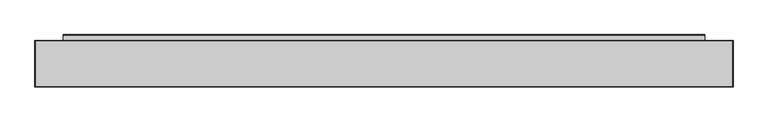
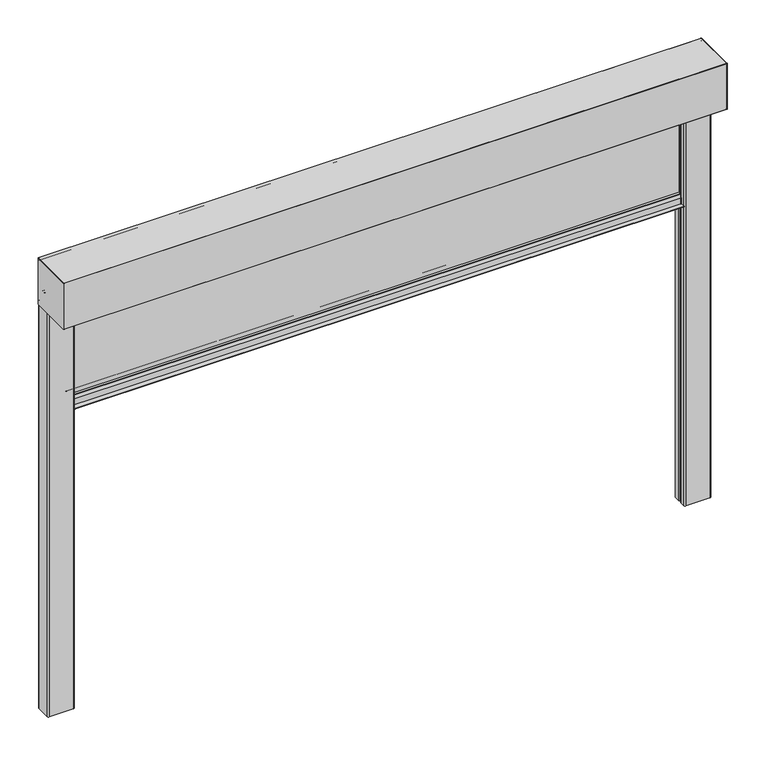
"""IFC4 building model written with IfcOpenShell, lengths in millimetres: alarm geometry."""

from ifc_helpers import new_model, si_unit, point, frame, frame_2d, origin, place, context, project, spatial, polyline, circle_curve, trimmed, segment, composite_curve, outline, extrude, source, transform, mapped, element, save
from ifc_brep_helpers import plane_surface, cylinder_surface, revolved_surface, advanced_brep


def alarm_9940906b(model_context):
    return source(origin(), model_context, "Body", "SolidModel", [
        extrude(outline(composite_curve([segment(polyline([(32.3130377, -455.0), (67.6869623, -455.0)]), True, "CONTINUOUS"), segment(trimmed(circle_curve(frame_2d((67.6869623, -457.0)), 2.0), [point((67.6869623, -455.0))], [point((69.5220736, -456.2047851))], False, "CARTESIAN"), True, "CONTINUOUS"), segment(polyline([(69.5220736, -456.2047851), (75.5, -470.0), (75.5, -498.0), (98.5, -498.0)]), True, "CONTINUOUS"), segment(trimmed(circle_curve(frame_2d((98.5, -499.0)), 1.0), [point((98.5, -498.0))], [point((98.5, -500.0))], False, "CARTESIAN"), True, "CONTINUOUS"), segment(polyline([(98.5, -500.0), (1.5, -500.0)]), True, "CONTINUOUS"), segment(trimmed(circle_curve(frame_2d((1.5, -499.0)), 1.0), [point((1.5, -500.0))], [point((1.5, -498.0))], False, "CARTESIAN"), True, "CONTINUOUS"), segment(polyline([(1.5, -498.0), (24.5, -498.0), (24.5, -470.0), (30.4779264, -456.2047851)]), True, "CONTINUOUS"), segment(trimmed(circle_curve(frame_2d((32.3130377, -457.0)), 2.0), [point((30.4779264, -456.2047851))], [point((32.3130377, -455.0))], False, "CARTESIAN"), True, "CONTINUOUS")], self_intersect=False)), frame((-1380.0, 0.0, 0.0), z_axis=(1.0, 0.0, 0.0), x_axis=(0.0, 1.0, 0.0)), (0.0, 0.0, 1.0), 2760.0),
        extrude(outline(polyline([(1380.0, 42.5), (-1380.0, 42.5), (-1380.0, 57.5), (1380.0, 57.5), (1380.0, 42.5)])), frame((0.0, 0.0, -455.0), z_axis=(0.0, 0.0, 1.0), x_axis=(1.0, 0.0, 0.0)), (0.0, 0.0, 1.0), 465.0),
        extrude(outline(composite_curve([segment(polyline([(-125.0, 1.0), (-125.0, 219.0)]), True, "CONTINUOUS"), segment(trimmed(circle_curve(frame_2d((-124.0, 219.0)), 1.0), [point((-125.0, 219.0))], [point((-124.0, 220.0))], False, "CARTESIAN"), True, "CONTINUOUS"), segment(polyline([(-124.0, 220.0), (74.0, 220.0)]), True, "CONTINUOUS"), segment(trimmed(circle_curve(frame_2d((74.0, 219.0)), 1.0), [point((74.0, 220.0))], [point((75.0, 219.0))], False, "CARTESIAN"), True, "CONTINUOUS"), segment(polyline([(75.0, 219.0), (75.0, 1.5)]), True, "CONTINUOUS"), segment(trimmed(circle_curve(frame_2d((73.5, 1.5)), 1.5), [point((75.0, 1.5))], [point((73.5, 0.0))], False, "CARTESIAN"), True, "CONTINUOUS"), segment(polyline([(73.5, 0.0), (-124.0, 0.0)]), True, "CONTINUOUS"), segment(trimmed(circle_curve(frame_2d((-124.0, 1.0)), 1.0), [point((-124.0, 0.0))], [point((-125.0, 1.0))], False, "CARTESIAN"), True, "CONTINUOUS")], self_intersect=False)), frame((1500.0, 0.0, 0.0), z_axis=(1.0, 0.0, 0.0), x_axis=(0.0, 1.0, 0.0)), (0.0, 0.0, 1.0), 1.0),
        extrude(outline(composite_curve([segment(polyline([(-125.0, 1.0), (-125.0, 219.0)]), True, "CONTINUOUS"), segment(trimmed(circle_curve(frame_2d((-124.0, 219.0)), 1.0), [point((-125.0, 219.0))], [point((-124.0, 220.0))], False, "CARTESIAN"), True, "CONTINUOUS"), segment(polyline([(-124.0, 220.0), (74.0, 220.0)]), True, "CONTINUOUS"), segment(trimmed(circle_curve(frame_2d((74.0, 219.0)), 1.0), [point((74.0, 220.0))], [point((75.0, 219.0))], False, "CARTESIAN"), True, "CONTINUOUS"), segment(polyline([(75.0, 219.0), (75.0, 1.5)]), True, "CONTINUOUS"), segment(trimmed(circle_curve(frame_2d((73.5, 1.5)), 1.5), [point((75.0, 1.5))], [point((73.5, 0.0))], False, "CARTESIAN"), True, "CONTINUOUS"), segment(polyline([(73.5, 0.0), (-124.0, 0.0)]), True, "CONTINUOUS"), segment(trimmed(circle_curve(frame_2d((-124.0, 1.0)), 1.0), [point((-124.0, 0.0))], [point((-125.0, 1.0))], False, "CARTESIAN"), True, "CONTINUOUS")], self_intersect=False)), frame((-1501.0, 0.0, 0.0), z_axis=(1.0, 0.0, 0.0), x_axis=(0.0, 1.0, 0.0)), (0.0, 0.0, 1.0), 1.0),
        extrude(outline(composite_curve([segment(trimmed(circle_curve(frame_2d((1385.0, 70.0)), 5.0), [point((1380.0, 70.0))], [point((1385.0, 75.0))], False, "CARTESIAN"), True, "CONTINUOUS"), segment(polyline([(1385.0, 75.0), (1495.0, 75.0)]), True, "CONTINUOUS"), segment(trimmed(circle_curve(frame_2d((1495.0, 70.0)), 5.0), [point((1495.0, 75.0))], [point((1500.0, 70.0))], False, "CARTESIAN"), True, "CONTINUOUS"), segment(polyline([(1500.0, 70.0), (1500.0, 4.0)]), True, "CONTINUOUS"), segment(trimmed(circle_curve(frame_2d((1495.0, 4.0)), 5.0), [point((1500.0, 4.0))], [point((1495.0, -1.0))], False, "CARTESIAN"), True, "CONTINUOUS"), segment(polyline([(1495.0, -1.0), (1385.0, -1.0)]), True, "CONTINUOUS"), segment(trimmed(circle_curve(frame_2d((1385.0, 4.0)), 5.0), [point((1385.0, -1.0))], [point((1380.0, 4.0))], False, "CARTESIAN"), True, "CONTINUOUS"), segment(polyline([(1380.0, 4.0), (1380.0, 28.0)]), True, "CONTINUOUS"), segment(trimmed(circle_curve(frame_2d((1384.0, 28.0)), 4.0), [point((1380.0, 28.0))], [point((1384.0, 32.0))], False, "CARTESIAN"), True, "CONTINUOUS"), segment(polyline([(1384.0, 32.0), (1419.0, 32.0)]), True, "CONTINUOUS"), segment(trimmed(circle_curve(frame_2d((1419.0, 28.0)), 4.0), [point((1419.0, 32.0))], [point((1423.0, 28.0))], False, "CARTESIAN"), True, "CONTINUOUS"), segment(polyline([(1423.0, 28.0), (1423.0, 14.0)]), True, "CONTINUOUS"), segment(trimmed(circle_curve(frame_2d((1425.0, 14.0)), 2.0), [point((1423.0, 14.0))], [point((1425.0, 12.0))], True, "CARTESIAN"), True, "CONTINUOUS"), segment(polyline([(1425.0, 12.0), (1476.0, 12.0)]), True, "CONTINUOUS"), segment(trimmed(circle_curve(frame_2d((1476.0, 14.0)), 2.0), [point((1476.0, 12.0))], [point((1478.0, 14.0))], True, "CARTESIAN"), True, "CONTINUOUS"), segment(polyline([(1478.0, 14.0), (1478.0, 40.0)]), True, "CONTINUOUS"), segment(trimmed(circle_curve(frame_2d((1476.0, 40.0)), 2.0), [point((1478.0, 40.0))], [point((1476.0, 42.0))], True, "CARTESIAN"), True, "CONTINUOUS"), segment(polyline([(1476.0, 42.0), (1384.0, 42.0)]), True, "CONTINUOUS"), segment(trimmed(circle_curve(frame_2d((1384.0, 46.0)), 4.0), [point((1384.0, 42.0))], [point((1380.0, 46.0))], False, "CARTESIAN"), True, "CONTINUOUS"), segment(polyline([(1380.0, 46.0), (1380.0, 70.0)]), True, "CONTINUOUS")], self_intersect=False), holes=[composite_curve([segment(polyline([(1419.0, 30.0), (1384.0, 30.0)]), True, "CONTINUOUS"), segment(trimmed(circle_curve(frame_2d((1384.0, 28.0)), 2.0), [point((1384.0, 30.0))], [point((1382.0, 28.0))], True, "CARTESIAN"), True, "CONTINUOUS"), segment(polyline([(1382.0, 28.0), (1382.0, 4.0)]), True, "CONTINUOUS"), segment(trimmed(circle_curve(frame_2d((1385.0, 4.0)), 3.0), [point((1382.0, 4.0))], [point((1385.0, 1.0))], True, "CARTESIAN"), True, "CONTINUOUS"), segment(polyline([(1385.0, 1.0), (1495.0, 1.0)]), True, "CONTINUOUS"), segment(trimmed(circle_curve(frame_2d((1495.0, 4.0)), 3.0), [point((1495.0, 1.0))], [point((1498.0, 4.0))], True, "CARTESIAN"), True, "CONTINUOUS"), segment(polyline([(1498.0, 4.0), (1498.0, 70.0)]), True, "CONTINUOUS"), segment(trimmed(circle_curve(frame_2d((1495.0, 70.0)), 3.0), [point((1498.0, 70.0))], [point((1495.0, 73.0))], True, "CARTESIAN"), True, "CONTINUOUS"), segment(polyline([(1495.0, 73.0), (1385.0, 73.0)]), True, "CONTINUOUS"), segment(trimmed(circle_curve(frame_2d((1385.0, 70.0)), 3.0), [point((1385.0, 73.0))], [point((1382.0, 70.0))], True, "CARTESIAN"), True, "CONTINUOUS"), segment(polyline([(1382.0, 70.0), (1382.0, 46.0)]), True, "CONTINUOUS"), segment(trimmed(circle_curve(frame_2d((1384.0, 46.0)), 2.0), [point((1382.0, 46.0))], [point((1384.0, 44.0))], True, "CARTESIAN"), True, "CONTINUOUS"), segment(polyline([(1384.0, 44.0), (1476.0, 44.0)]), True, "CONTINUOUS"), segment(trimmed(circle_curve(frame_2d((1476.0, 40.0)), 4.0), [point((1476.0, 44.0))], [point((1480.0, 40.0))], False, "CARTESIAN"), True, "CONTINUOUS"), segment(polyline([(1480.0, 40.0), (1480.0, 14.0)]), True, "CONTINUOUS"), segment(trimmed(circle_curve(frame_2d((1476.0, 14.0)), 4.0), [point((1480.0, 14.0))], [point((1476.0, 10.0))], False, "CARTESIAN"), True, "CONTINUOUS"), segment(polyline([(1476.0, 10.0), (1425.0, 10.0)]), True, "CONTINUOUS"), segment(trimmed(circle_curve(frame_2d((1425.0, 14.0)), 4.0), [point((1425.0, 10.0))], [point((1421.0, 14.0))], False, "CARTESIAN"), True, "CONTINUOUS"), segment(polyline([(1421.0, 14.0), (1421.0, 28.0)]), True, "CONTINUOUS"), segment(trimmed(circle_curve(frame_2d((1419.0, 28.0)), 2.0), [point((1421.0, 28.0))], [point((1419.0, 30.0))], True, "CARTESIAN"), True, "CONTINUOUS")], self_intersect=False)]), frame((0.0, 0.0, -1930.0), z_axis=(0.0, 0.0, 1.0), x_axis=(1.0, 0.0, 0.0)), (0.0, 0.0, 1.0), 1930.0),
        extrude(outline(composite_curve([segment(trimmed(circle_curve(frame_2d((-1385.0, 4.0)), 5.0), [point((-1380.0, 4.0))], [point((-1385.0, -1.0))], False, "CARTESIAN"), True, "CONTINUOUS"), segment(polyline([(-1385.0, -1.0), (-1495.0, -1.0)]), True, "CONTINUOUS"), segment(trimmed(circle_curve(frame_2d((-1495.0, 4.0)), 5.0), [point((-1495.0, -1.0))], [point((-1500.0, 4.0))], False, "CARTESIAN"), True, "CONTINUOUS"), segment(polyline([(-1500.0, 4.0), (-1500.0, 70.0)]), True, "CONTINUOUS"), segment(trimmed(circle_curve(frame_2d((-1495.0, 70.0)), 5.0), [point((-1500.0, 70.0))], [point((-1495.0, 75.0))], False, "CARTESIAN"), True, "CONTINUOUS"), segment(polyline([(-1495.0, 75.0), (-1385.0, 75.0)]), True, "CONTINUOUS"), segment(trimmed(circle_curve(frame_2d((-1385.0, 70.0)), 5.0), [point((-1385.0, 75.0))], [point((-1380.0, 70.0))], False, "CARTESIAN"), True, "CONTINUOUS"), segment(polyline([(-1380.0, 70.0), (-1380.0, 46.0)]), True, "CONTINUOUS"), segment(trimmed(circle_curve(frame_2d((-1384.0, 46.0)), 4.0), [point((-1380.0, 46.0))], [point((-1384.0, 42.0))], False, "CARTESIAN"), True, "CONTINUOUS"), segment(polyline([(-1384.0, 42.0), (-1476.0, 42.0)]), True, "CONTINUOUS"), segment(trimmed(circle_curve(frame_2d((-1476.0, 40.0)), 2.0), [point((-1476.0, 42.0))], [point((-1478.0, 40.0))], True, "CARTESIAN"), True, "CONTINUOUS"), segment(polyline([(-1478.0, 40.0), (-1478.0, 14.0)]), True, "CONTINUOUS"), segment(trimmed(circle_curve(frame_2d((-1476.0, 14.0)), 2.0), [point((-1478.0, 14.0))], [point((-1476.0, 12.0))], True, "CARTESIAN"), True, "CONTINUOUS"), segment(polyline([(-1476.0, 12.0), (-1425.0, 12.0)]), True, "CONTINUOUS"), segment(trimmed(circle_curve(frame_2d((-1425.0, 14.0)), 2.0), [point((-1425.0, 12.0))], [point((-1423.0, 14.0))], True, "CARTESIAN"), True, "CONTINUOUS"), segment(polyline([(-1423.0, 14.0), (-1423.0, 28.0)]), True, "CONTINUOUS"), segment(trimmed(circle_curve(frame_2d((-1419.0, 28.0)), 4.0), [point((-1423.0, 28.0))], [point((-1419.0, 32.0))], False, "CARTESIAN"), True, "CONTINUOUS"), segment(polyline([(-1419.0, 32.0), (-1384.0, 32.0)]), True, "CONTINUOUS"), segment(trimmed(circle_curve(frame_2d((-1384.0, 28.0)), 4.0), [point((-1384.0, 32.0))], [point((-1380.0, 28.0))], False, "CARTESIAN"), True, "CONTINUOUS"), segment(polyline([(-1380.0, 28.0), (-1380.0, 4.0)]), True, "CONTINUOUS")], self_intersect=False), holes=[composite_curve([segment(trimmed(circle_curve(frame_2d((-1384.0, 28.0)), 2.0), [point((-1382.0, 28.0))], [point((-1384.0, 30.0))], True, "CARTESIAN"), True, "CONTINUOUS"), segment(polyline([(-1384.0, 30.0), (-1419.0, 30.0)]), True, "CONTINUOUS"), segment(trimmed(circle_curve(frame_2d((-1419.0, 28.0)), 2.0), [point((-1419.0, 30.0))], [point((-1421.0, 28.0))], True, "CARTESIAN"), True, "CONTINUOUS"), segment(polyline([(-1421.0, 28.0), (-1421.0, 14.0)]), True, "CONTINUOUS"), segment(trimmed(circle_curve(frame_2d((-1425.0, 14.0)), 4.0), [point((-1421.0, 14.0))], [point((-1425.0, 10.0))], False, "CARTESIAN"), True, "CONTINUOUS"), segment(polyline([(-1425.0, 10.0), (-1476.0, 10.0)]), True, "CONTINUOUS"), segment(trimmed(circle_curve(frame_2d((-1476.0, 14.0)), 4.0), [point((-1476.0, 10.0))], [point((-1480.0, 14.0))], False, "CARTESIAN"), True, "CONTINUOUS"), segment(polyline([(-1480.0, 14.0), (-1480.0, 40.0)]), True, "CONTINUOUS"), segment(trimmed(circle_curve(frame_2d((-1476.0, 40.0)), 4.0), [point((-1480.0, 40.0))], [point((-1476.0, 44.0))], False, "CARTESIAN"), True, "CONTINUOUS"), segment(polyline([(-1476.0, 44.0), (-1384.0, 44.0)]), True, "CONTINUOUS"), segment(trimmed(circle_curve(frame_2d((-1384.0, 46.0)), 2.0), [point((-1384.0, 44.0))], [point((-1382.0, 46.0))], True, "CARTESIAN"), True, "CONTINUOUS"), segment(polyline([(-1382.0, 46.0), (-1382.0, 70.0)]), True, "CONTINUOUS"), segment(trimmed(circle_curve(frame_2d((-1385.0, 70.0)), 3.0), [point((-1382.0, 70.0))], [point((-1385.0, 73.0))], True, "CARTESIAN"), True, "CONTINUOUS"), segment(polyline([(-1385.0, 73.0), (-1495.0, 73.0)]), True, "CONTINUOUS"), segment(trimmed(circle_curve(frame_2d((-1495.0, 70.0)), 3.0), [point((-1495.0, 73.0))], [point((-1498.0, 70.0))], True, "CARTESIAN"), True, "CONTINUOUS"), segment(polyline([(-1498.0, 70.0), (-1498.0, 4.0)]), True, "CONTINUOUS"), segment(trimmed(circle_curve(frame_2d((-1495.0, 4.0)), 3.0), [point((-1498.0, 4.0))], [point((-1495.0, 1.0))], True, "CARTESIAN"), True, "CONTINUOUS"), segment(polyline([(-1495.0, 1.0), (-1385.0, 1.0)]), True, "CONTINUOUS"), segment(trimmed(circle_curve(frame_2d((-1385.0, 4.0)), 3.0), [point((-1385.0, 1.0))], [point((-1382.0, 4.0))], True, "CARTESIAN"), True, "CONTINUOUS"), segment(polyline([(-1382.0, 4.0), (-1382.0, 28.0)]), True, "CONTINUOUS")], self_intersect=False)]), frame((0.0, 0.0, -1930.0), z_axis=(0.0, 0.0, 1.0), x_axis=(1.0, 0.0, 0.0)), (0.0, 0.0, 1.0), 1930.0),
        advanced_brep(
        [(1500.0, 74.0, 220.0), (1500.0, -124.0, 220.0), (1500.0, -125.0, 219.0), (1500.0, -125.0, 1.0), (1500.0, -124.0, 0.0), (1500.0, 0.6706552, 0.0), (1500.0, 3.5525627, 2.8819075), (1500.0, 3.5525627, 25.0), (1500.0, 40.2346421, 81.9173889), (1500.0, 38.5535205, 85.0008329), (1500.0, 27.0535205, 85.0007974), (1500.0, 27.1842634, 82.0065058), (1500.0, 33.6652134, 82.5735356), (1500.0, 33.5780546, 83.56973), (1500.0, 27.0971045, 83.0027002), (1500.0, 27.0535236, 84.0007974), (1500.0, 38.5575262, 84.0008329), (1500.0, 39.6503781, 82.8567866), (1500.0, 2.5525627, 25.2943249), (1500.0, 2.5525627, 2.9031761), (1500.0, 0.6493867, 1.0), (1500.0, -118.4990953, 1.0), (1500.0, -118.4990953, 210.0001942), (1500.0, -114.4991113, 214.0001783), (1500.0, 64.4999422, 214.0001783), (1500.0, 68.5003406, 209.9997799), (1500.0, 68.5003406, 32.9978598), (1500.0, 71.0003714, 32.9978598), (1500.0, 71.0003714, 19.9978095), (1500.0, 74.0003573, 19.9978095), (1500.0, 74.0003573, 1.3255837), (1500.0, 73.0249422, 1.1710911), (1500.0, 63.1362847, 31.6048165), (1500.0, 62.1852498, 31.2958032), (1500.0, 72.0225757, 1.0199506), (1500.0, 75.0, 1.5), (1500.0, 75.0, 219.0), (-1500.0, 74.0, 220.0), (-1500.0, 75.0, 219.0), (-1500.0, 75.0, 1.5), (-1500.0, 72.0734167, 1.03647), (-1500.0, 62.1852498, 31.2958032), (-1500.0, 63.1362847, 31.6048165), (-1500.0, 73.0249422, 1.1710911), (-1500.0, 74.0003573, 1.3255837), (-1500.0, 74.0003573, 19.9978095), (-1500.0, 71.0003714, 19.9978095), (-1500.0, 71.0003714, 32.9978598), (-1500.0, 68.5003406, 32.9978598), (-1500.0, 68.5003406, 209.9997799), (-1500.0, 64.4999422, 214.0001783), (-1500.0, -114.4991113, 214.0001783), (-1500.0, -118.4990953, 210.0001942), (-1500.0, -118.4990953, 1.0), (-1500.0, 0.6493867, 1.0), (-1500.0, 2.5525627, 2.9031761), (-1500.0, 2.5525627, 25.2943249), (-1500.0, 39.6503781, 82.8567866), (-1500.0, 38.5575262, 84.0008329), (-1500.0, 27.0535236, 84.0007974), (-1500.0, 27.0971045, 83.0027002), (-1500.0, 33.5780546, 83.56973), (-1500.0, 33.6652134, 82.5735356), (-1500.0, 27.1842634, 82.0065058), (-1500.0, 27.0535205, 85.0007974), (-1500.0, 38.5535205, 85.0008329), (-1500.0, 40.2346421, 81.9173889), (-1500.0, 3.5525627, 25.0), (-1500.0, 3.5525627, 2.8819075), (-1500.0, 0.6706552, 0.0), (-1500.0, -124.0, 0.0), (-1500.0, -125.0, 1.0), (-1500.0, -125.0, 219.0), (-1500.0, -124.0, 220.0)],
        [
            (0, 1),
            (1, 2, circle_curve(frame((1500.0, -124.0, 219.0), z_axis=(1.0, 0.0, 0.0), x_axis=(0.0, 1.0, 0.0)), 1.0)),
            (2, 3),
            (3, 4, circle_curve(frame((1500.0, -124.0, 1.0), z_axis=(1.0, 0.0, 0.0), x_axis=(0.0, 1.0, 0.0)), 1.0)),
            (4, 5),
            (5, 6, circle_curve(frame((1500.0, 0.5548006, 2.9977621), z_axis=(1.0, 0.0, 0.0), x_axis=(0.0, 1.0, 0.0)), 3.0)),
            (6, 7),
            (7, 8),
            (8, 9, circle_curve(frame((1500.0, 38.5535267, 83.0008329), z_axis=(1.0, 0.0, 0.0), x_axis=(0.0, 1.0, 0.0)), 2.0)),
            (9, 10),
            (10, 11, circle_curve(frame((1500.0, 27.0535251, 83.5007974), z_axis=(1.0, 0.0, 0.0), x_axis=(0.0, 1.0, 0.0)), 1.5)),
            (11, 12),
            (12, 13),
            (13, 14),
            (14, 15, circle_curve(frame((1500.0, 27.0535251, 83.5007974), z_axis=(-1.0, 0.0, 0.0), x_axis=(0.0, 1.0, 0.0)), 0.5)),
            (15, 16),
            (16, 17, circle_curve(frame((1500.0, 38.5575296, 82.9068388), z_axis=(-1.0, 0.0, 0.0), x_axis=(0.0, 1.0, 0.0)), 1.0939941)),
            (17, 18),
            (18, 19),
            (19, 20, circle_curve(frame((1500.0, 0.5548006, 2.9977621), z_axis=(-1.0, 0.0, 0.0), x_axis=(0.0, 1.0, 0.0)), 2.0)),
            (20, 21),
            (21, 22),
            (22, 23, circle_curve(frame((1500.0, -114.4991113, 210.0001942), z_axis=(-1.0, 0.0, 0.0), x_axis=(0.0, 1.0, 0.0)), 3.9999841)),
            (23, 24),
            (24, 25, circle_curve(frame((1500.0, 64.4999422, 209.9997799), z_axis=(-1.0, 0.0, 0.0), x_axis=(0.0, 1.0, 0.0)), 4.0003984)),
            (25, 26),
            (26, 27),
            (27, 28),
            (28, 29),
            (29, 30),
            (30, 31, circle_curve(frame((1500.0, 73.500415, 1.3255837), z_axis=(-1.0, 0.0, 0.0), x_axis=(0.0, 1.0, 0.0)), 0.4999423)),
            (31, 32),
            (32, 33),
            (33, 34),
            (34, 35, circle_curve(frame((1500.0, 73.5, 1.5), z_axis=(1.0, 0.0, 0.0), x_axis=(0.0, 1.0, 0.0)), 1.5)),
            (35, 36),
            (36, 0, circle_curve(frame((1500.0, 74.0, 219.0), z_axis=(1.0, 0.0, 0.0), x_axis=(0.0, 1.0, 0.0)), 1.0)),
            (37, 38, circle_curve(frame((-1500.0, 74.0, 219.0), z_axis=(-1.0, 0.0, 0.0), x_axis=(0.0, 1.0, 0.0)), 1.0)),
            (38, 39),
            (39, 40, circle_curve(frame((-1500.0, 73.5, 1.5), z_axis=(-1.0, 0.0, 0.0), x_axis=(0.0, 1.0, 0.0)), 1.5)),
            (40, 41),
            (41, 42),
            (42, 43),
            (43, 44, circle_curve(frame((-1500.0, 73.500415, 1.3255837), z_axis=(1.0, 0.0, 0.0), x_axis=(0.0, 1.0, 0.0)), 0.4999423)),
            (44, 45),
            (45, 46),
            (46, 47),
            (47, 48),
            (48, 49),
            (49, 50, circle_curve(frame((-1500.0, 64.4999422, 209.9997799), z_axis=(1.0, 0.0, 0.0), x_axis=(0.0, 1.0, 0.0)), 4.0003984)),
            (50, 51),
            (51, 52, circle_curve(frame((-1500.0, -114.4991113, 210.0001942), z_axis=(1.0, 0.0, 0.0), x_axis=(0.0, 1.0, 0.0)), 3.9999841)),
            (52, 53),
            (53, 54),
            (54, 55, circle_curve(frame((-1500.0, 0.5548006, 2.9977621), z_axis=(1.0, 0.0, 0.0), x_axis=(0.0, 1.0, 0.0)), 2.0)),
            (55, 56),
            (56, 57),
            (57, 58, circle_curve(frame((-1500.0, 38.5575296, 82.9068388), z_axis=(1.0, 0.0, 0.0), x_axis=(0.0, 1.0, 0.0)), 1.0939941)),
            (58, 59),
            (59, 60, circle_curve(frame((-1500.0, 27.0535251, 83.5007974), z_axis=(1.0, 0.0, 0.0), x_axis=(0.0, 1.0, 0.0)), 0.5)),
            (60, 61),
            (61, 62),
            (62, 63),
            (63, 64, circle_curve(frame((-1500.0, 27.0535251, 83.5007974), z_axis=(-1.0, 0.0, 0.0), x_axis=(0.0, 1.0, 0.0)), 1.5)),
            (64, 65),
            (65, 66, circle_curve(frame((-1500.0, 38.5535267, 83.0008329), z_axis=(-1.0, 0.0, 0.0), x_axis=(0.0, 1.0, 0.0)), 2.0)),
            (66, 67),
            (67, 68),
            (68, 69, circle_curve(frame((-1500.0, 0.5548006, 2.9977621), z_axis=(-1.0, 0.0, 0.0), x_axis=(0.0, 1.0, 0.0)), 3.0)),
            (69, 70),
            (70, 71, circle_curve(frame((-1500.0, -124.0, 1.0), z_axis=(-1.0, 0.0, 0.0), x_axis=(0.0, 1.0, 0.0)), 1.0)),
            (71, 72),
            (72, 73, circle_curve(frame((-1500.0, -124.0, 219.0), z_axis=(-1.0, 0.0, 0.0), x_axis=(0.0, 1.0, 0.0)), 1.0)),
            (73, 37),
            (0, 37),
            (73, 1),
            (72, 2),
            (71, 3),
            (70, 4),
            (69, 5),
            (21, 53),
            (52, 22),
            (51, 23),
            (50, 24),
            (49, 25),
            (48, 26),
            (47, 27),
            (46, 28),
            (45, 29),
            (44, 30),
            (43, 31),
            (42, 32),
            (41, 33),
            (40, 34),
            (39, 35),
            (38, 36),
            (68, 6),
            (67, 7),
            (66, 8),
            (65, 9),
            (64, 10),
            (63, 11),
            (62, 12),
            (61, 13),
            (60, 14),
            (59, 15),
            (58, 16),
            (57, 17),
            (56, 18),
            (55, 19),
            (54, 20),
        ],
        [
            plane_surface(frame((1500.0, -124.0, 220.0), z_axis=(1.0, 0.0, 0.0), x_axis=(0.0, -1.0, 0.0))),
            plane_surface(frame((-1500.0, -124.0, 220.0), z_axis=(-1.0, 0.0, 0.0), x_axis=(0.0, 1.0, 0.0))),
            plane_surface(frame((1500.0, 74.0, 220.0), z_axis=(0.0, 0.0, 1.0), x_axis=(-1.0, 0.0, 0.0))),
            cylinder_surface(frame((-1500.0, -124.0, 219.0), z_axis=(1.0, 0.0, 0.0), x_axis=(0.0, 1.0, 0.0)), 1.0),
            plane_surface(frame((1500.0, -125.0, 219.0), z_axis=(0.0, -1.0, 0.0), x_axis=(-1.0, 0.0, 0.0))),
            cylinder_surface(frame((-1500.0, -124.0, 1.0), z_axis=(1.0, 0.0, 0.0), x_axis=(0.0, 1.0, 0.0)), 1.0),
            plane_surface(frame((1500.0, -124.0, 0.0), z_axis=(0.0, 0.0, -1.0), x_axis=(-1.0, 0.0, 0.0))),
            plane_surface(frame((1500.0, -118.4990953, 1.0), z_axis=(0.0, 1.0, 0.0), x_axis=(-1.0, 0.0, 0.0))),
            revolved_surface(polyline([(-1500.0, -110.49912719999999, 210.0001942), (1500.0, -110.49912719999999, 210.0001942)]), (-1500.0, -114.4991113, 210.0001942), (-1.0, 0.0, 0.0)),
            plane_surface(frame((1500.0, -114.4991113, 214.0001783), z_axis=(0.0, 0.0, -1.0), x_axis=(-1.0, 0.0, 0.0))),
            revolved_surface(polyline([(-1500.0, 68.5003406, 209.9997799), (1500.0, 68.5003406, 209.9997799)]), (-1500.0, 64.4999422, 209.9997799), (-1.0, 0.0, 0.0)),
            plane_surface(frame((1500.0, 68.5003406, 209.9997799), z_axis=(0.0, -1.0, 0.0), x_axis=(-1.0, 0.0, 0.0))),
            plane_surface(frame((1500.0, 68.5003406, 32.9978598), z_axis=(0.0, 0.0, -1.0), x_axis=(-1.0, 0.0, 0.0))),
            plane_surface(frame((1500.0, 71.0003714, 32.9978598), z_axis=(0.0, -1.0, 0.0), x_axis=(-1.0, 0.0, 0.0))),
            plane_surface(frame((1500.0, 71.0003714, 19.9978095), z_axis=(0.0, 0.0, -1.0), x_axis=(-1.0, 0.0, 0.0))),
            plane_surface(frame((1500.0, 74.0003573, 19.9978095), z_axis=(0.0, -1.0, -1.2844647031399892e-12), x_axis=(-1.0, 0.0, 0.0))),
            revolved_surface(polyline([(-1500.0, 74.0003573, 1.3255837), (1500.0, 74.0003573, 1.3255837)]), (-1500.0, 73.500415, 1.3255837), (-1.0, 0.0, 0.0)),
            plane_surface(frame((1500.0, 73.0249422, 1.1710911), z_axis=(0.0, 0.9510552244543146, 0.3090209702239532), x_axis=(-1.0, 0.0, 0.0))),
            plane_surface(frame((1500.0, 63.1362847, 31.6048165), z_axis=(0.0, -0.3090199811024944, 0.9510555458433614), x_axis=(-1.0, 0.0, 0.0))),
            plane_surface(frame((1500.0, 62.1852498, 31.2958032), z_axis=(0.0, -0.9510555458434065, -0.3090199811023557), x_axis=(-1.0, 0.0, 0.0))),
            cylinder_surface(frame((-1500.0, 73.5, 1.5), z_axis=(1.0, 0.0, 0.0), x_axis=(0.0, 1.0, 0.0)), 1.5),
            plane_surface(frame((1500.0, 75.0, 1.5), z_axis=(0.0, 1.0, 0.0), x_axis=(-1.0, 0.0, 0.0))),
            cylinder_surface(frame((-1500.0, 74.0, 219.0), z_axis=(1.0, 0.0, 0.0), x_axis=(0.0, 1.0, 0.0)), 1.0),
            cylinder_surface(frame((-1500.0, 0.5548006, 2.9977621), z_axis=(1.0, 0.0, 0.0), x_axis=(0.0, 1.0, 0.0)), 3.0),
            plane_surface(frame((1500.0, 3.5525627, 2.8819075), z_axis=(0.0, 1.0, 0.0), x_axis=(-1.0, 0.0, 0.0))),
            plane_surface(frame((1500.0, 3.5525627, 25.0), z_axis=(0.0, 0.8405576917101402, -0.541722038417232), x_axis=(-1.0, 0.0, 0.0))),
            cylinder_surface(frame((-1500.0, 38.5535267, 83.0008329), z_axis=(1.0, 0.0, 0.0), x_axis=(0.0, 1.0, 0.0)), 2.0),
            plane_surface(frame((1500.0, 38.5535205, 85.0008329), z_axis=(0.0, -3.0882118506882625e-06, 0.9999999999952316), x_axis=(-1.0, 0.0, 0.0))),
            cylinder_surface(frame((-1500.0, 27.0535251, 83.5007974), z_axis=(1.0, 0.0, 0.0), x_axis=(0.0, 1.0, 0.0)), 1.5),
            plane_surface(frame((1500.0, 27.1842634, 82.0065058), z_axis=(0.0, 0.08715881898961361, -0.9961944289506622), x_axis=(-1.0, 0.0, 0.0))),
            plane_surface(frame((1500.0, 33.6652134, 82.5735356), z_axis=(0.0, 0.9961944289500921, 0.08715881899612934), x_axis=(-1.0, 0.0, 0.0))),
            plane_surface(frame((1500.0, 33.5780546, 83.56973), z_axis=(0.0, -0.0871588190050008, 0.996194428949316), x_axis=(-1.0, 0.0, 0.0))),
            revolved_surface(polyline([(-1500.0, 27.5535251, 83.5007974), (1500.0, 27.5535251, 83.5007974)]), (-1500.0, 27.0535251, 83.5007974), (-1.0, 0.0, 0.0)),
            plane_surface(frame((1500.0, 27.0535236, 84.0007974), z_axis=(0.0, 3.0872151894676767e-06, -0.9999999999952346), x_axis=(-1.0, 0.0, 0.0))),
            revolved_surface(polyline([(-1500.0, 39.651523700000006, 82.9068388), (1500.0, 39.651523700000006, 82.9068388)]), (-1500.0, 38.5575296, 82.9068388), (-1.0, 0.0, 0.0)),
            plane_surface(frame((1500.0, 39.6503781, 82.8567866), z_axis=(0.0, -0.8405576917101383, 0.541722038417235), x_axis=(-1.0, 0.0, 0.0))),
            plane_surface(frame((1500.0, 2.5525627, 25.2943249), z_axis=(0.0, -1.0, 0.0), x_axis=(-1.0, 0.0, 0.0))),
            revolved_surface(polyline([(-1500.0, 2.5548006, 2.9977621), (1500.0, 2.5548006, 2.9977621)]), (-1500.0, 0.5548006, 2.9977621), (-1.0, 0.0, 0.0)),
            plane_surface(frame((1500.0, 0.6493867, 1.0), z_axis=(0.0, 0.0, 1.0), x_axis=(-1.0, 0.0, 0.0))),
        ],
        [
            (0, [[1, 2, 3, 4, 5, 6, 7, 8, 9, 10, 11, 12, 13, 14, 15, 16, 17, 18, 19, 20, 21, 22, 23, 24, 25, 26, 27, 28, 29, 30, 31, 32, 33, 34, 35, 36, 37]]),
            (1, [[38, 39, 40, 41, 42, 43, 44, 45, 46, 47, 48, 49, 50, 51, 52, 53, 54, 55, 56, 57, 58, 59, 60, 61, 62, 63, 64, 65, 66, 67, 68, 69, 70, 71, 72, 73, 74]]),
            (2, [[-1, 75, -74, 76]]),
            (3, [[-2, -76, -73, 77]]),
            (4, [[-3, -77, -72, 78]]),
            (5, [[-4, -78, -71, 79]]),
            (6, [[-5, -79, -70, 80]]),
            (7, [[-22, 81, -53, 82]]),
            (8, [[-23, -82, -52, 83]]),
            (9, [[-24, -83, -51, 84]]),
            (10, [[-25, -84, -50, 85]]),
            (11, [[-26, -85, -49, 86]]),
            (12, [[-27, -86, -48, 87]]),
            (13, [[-28, -87, -47, 88]]),
            (14, [[-29, -88, -46, 89]]),
            (15, [[-30, -89, -45, 90]]),
            (16, [[-31, -90, -44, 91]]),
            (17, [[-32, -91, -43, 92]]),
            (18, [[-33, -92, -42, 93]]),
            (19, [[-34, -93, -41, 94]]),
            (20, [[-35, -94, -40, 95]]),
            (21, [[-36, -95, -39, 96]]),
            (22, [[-37, -96, -38, -75]]),
            (23, [[-6, -80, -69, 97]]),
            (24, [[-7, -97, -68, 98]]),
            (25, [[-8, -98, -67, 99]]),
            (26, [[-9, -99, -66, 100]]),
            (27, [[-10, -100, -65, 101]]),
            (28, [[-11, -101, -64, 102]]),
            (29, [[-12, -102, -63, 103]]),
            (30, [[-13, -103, -62, 104]]),
            (31, [[-14, -104, -61, 105]]),
            (32, [[-15, -105, -60, 106]]),
            (33, [[-16, -106, -59, 107]]),
            (34, [[-17, -107, -58, 108]]),
            (35, [[-18, -108, -57, 109]]),
            (36, [[-19, -109, -56, 110]]),
            (37, [[-20, -110, -55, 111]]),
            (38, [[-21, -111, -54, -81]]),
        ],
    ),
    ])


if __name__ == "__main__":
    model = new_model("IFC4")
    model_context = context("Model", 3, world=origin())
    ifc_project = project(units=[si_unit("LENGTHUNIT", "METRE", prefix="MILLI")], contexts=[model_context])
    site = spatial("IfcSite", under=ifc_project)
    building = spatial("IfcBuilding", under=site)
    placement = place(None, origin())
    alarm_shape = alarm_9940906b(model_context)
    element("IfcAlarm", 1, at=placement, inside=building, context=model_context, shape_type="MappedRepresentation", body=[
        mapped(alarm_shape, transform((0.0, 0.0, 0.0), x_axis=(1.0, 0.0, 0.0), y_axis=(0.0, 1.0, 0.0), z_axis=(0.0, 0.0, 1.0))),
    ])
    save(model, "model.ifc")
